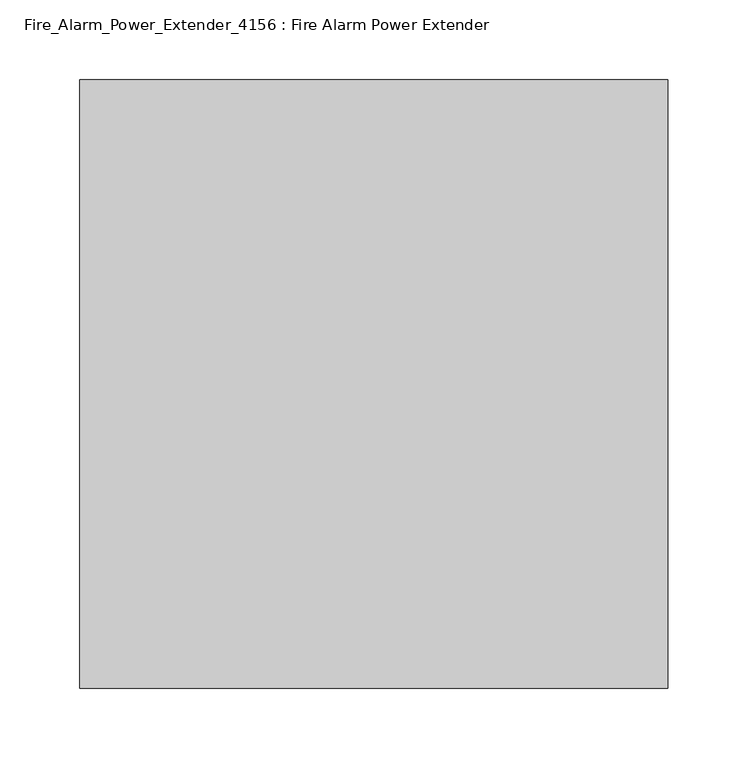
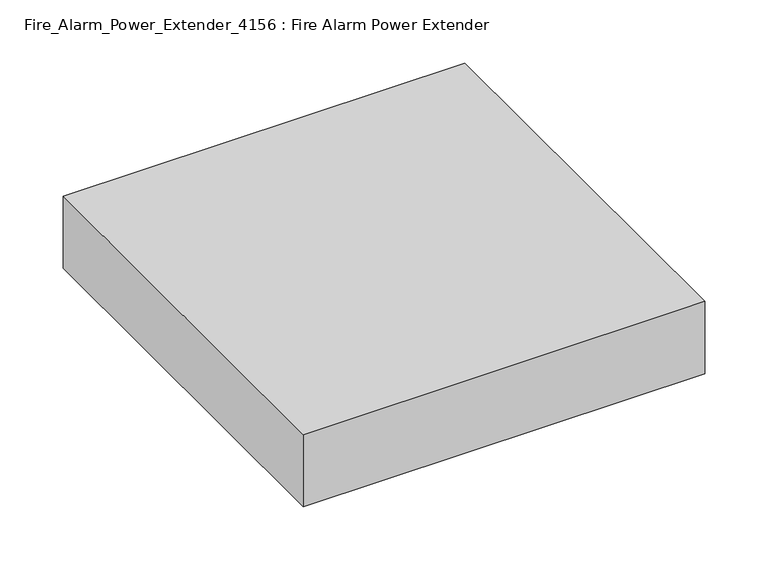
"""IFC4 building model written with IfcOpenShell, lengths in millimetres: proxy geometry, Fire_Alarm_Power_Extender_4156 : Fire Alarm Power Extender."""

import ifcopenshell
import ifcopenshell.guid

model = None  # the IFC model being written
_history = None  # IfcOwnerHistory: only IFC2X3 demands one
_inside = {}  # id of a spatial element -> (the spatial element, [elements in it])
_under = {}  # id of a project, library or spatial element -> (it, [spatial elements below it])
_declared = {}  # id of a project -> (the project, [libraries it declares])
_typed = {}  # id of a type object -> (the type object, [elements of that type])
_made_of = {}  # id of a material, layer set ... -> (it, [elements and type objects made of it])


def new_model(schema):
    """Start an empty IFC model of exactly this schema.

    Asked for "IFC4X3", IfcOpenShell would pick the latest addendum, in which some entities
    have other attributes; the version numbers below select the first issue.
    IFC2X3 requires an IfcOwnerHistory on every rooted entity: one is made here for all.
    """
    global model, _history
    if schema == "IFC4X3":
        model = ifcopenshell.file(schema_version=(4, 3, 0, 0))
    else:
        model = ifcopenshell.file(schema=schema)
    _inside.clear()
    _under.clear()
    _declared.clear()
    _typed.clear()
    _made_of.clear()
    _history = None
    if model.schema == "IFC2X3":
        org = make("IfcOrganization", Name="unknown")
        user = make(
            "IfcPersonAndOrganization",
            ThePerson=make("IfcPerson", FamilyName="unknown"),
            TheOrganization=org,
        )
        app = make(
            "IfcApplication",
            ApplicationDeveloper=org,
            Version="unknown",
            ApplicationFullName="unknown",
            ApplicationIdentifier="unknown",
        )
        _history = make(
            "IfcOwnerHistory",
            OwningUser=user,
            OwningApplication=app,
            ChangeAction="ADDED",
            CreationDate=0,
        )
    return model


def make(cls, **values):
    """One entity of the class cls with the attributes given. An attribute that is None is left unset."""
    return model.create_entity(
        cls, **{name: value for name, value in values.items() if value is not None}
    )


def rooted(cls, **values):
    """An entity with a GlobalId (a new one), such as an element, a storey or a relation."""
    return make(cls, GlobalId=ifcopenshell.guid.new(), OwnerHistory=_history, **values)


def si_unit(unit_type, name, prefix=None):
    """IfcSIUnit, for example si_unit("LENGTHUNIT", "METRE", prefix="MILLI")."""
    return make("IfcSIUnit", UnitType=unit_type, Prefix=prefix, Name=name)


def assignment(units):
    """IfcUnitAssignment: the units of a project."""
    return None if units is None else make("IfcUnitAssignment", Units=units)


def point(xyz):
    """IfcCartesianPoint."""
    return None if xyz is None else make("IfcCartesianPoint", Coordinates=xyz)


def direction(xyz):
    """IfcDirection."""
    return None if xyz is None else make("IfcDirection", DirectionRatios=xyz)


def frame(location, z_axis=None, x_axis=None):
    """IfcAxis2Placement3D, a coordinate frame: its origin and axes. An axis left out is left unset."""
    return make(
        "IfcAxis2Placement3D",
        Location=point(location),
        Axis=direction(z_axis),
        RefDirection=direction(x_axis),
    )


def origin():
    """The frame at (0, 0, 0) with its axes left unset."""
    return frame((0.0, 0.0, 0.0))


def origin_with_axes():
    """The frame at (0, 0, 0) with the z axis (0, 0, 1) and the x axis (1, 0, 0) written out."""
    return frame((0.0, 0.0, 0.0), z_axis=(0.0, 0.0, 1.0), x_axis=(1.0, 0.0, 0.0))


def place(relative_to, where):
    """IfcLocalPlacement: puts the frame where relative to a parent placement (None: the world)."""
    return make(
        "IfcLocalPlacement", PlacementRelTo=relative_to, RelativePlacement=where
    )


def context(
    kind, dimensions, precision=None, world=None, true_north=None, identifier=None
):
    """IfcGeometricRepresentationContext, for example the 3D "Model" context."""
    return make(
        "IfcGeometricRepresentationContext",
        ContextIdentifier=identifier,
        ContextType=kind,
        CoordinateSpaceDimension=dimensions,
        Precision=precision,
        WorldCoordinateSystem=world,
        TrueNorth=true_north,
    )


def project(units=None, contexts=None):
    """IfcProject with its units and contexts."""
    return rooted(
        "IfcProject",
        Name="project",
        RepresentationContexts=contexts,
        UnitsInContext=assignment(units),
    )


def spatial(cls, under=None, at=None, **own):
    """A site, building, storey or space (cls), placed at a placement, below another one or the project."""
    s = rooted(cls, ObjectPlacement=at, **own)
    if under is not None:
        _under.setdefault(under.id(), (under, []))[1].append(s)
    return s


def polyline(points):
    """IfcPolyline through the points."""
    return make("IfcPolyline", Points=[point(p) for p in points])


def outline(outer, holes=None, kind="AREA"):
    """IfcArbitraryClosedProfileDef: a profile drawn as a closed curve; with holes, ...WithVoids."""
    if holes is None:
        return make("IfcArbitraryClosedProfileDef", ProfileType=kind, OuterCurve=outer)
    return make(
        "IfcArbitraryProfileDefWithVoids",
        ProfileType=kind,
        OuterCurve=outer,
        InnerCurves=holes,
    )


def extrude(swept, where, along, depth):
    """IfcExtrudedAreaSolid: the profile swept, set in the frame where, extruded along a direction by depth."""
    return make(
        "IfcExtrudedAreaSolid",
        SweptArea=swept,
        Position=where,
        ExtrudedDirection=direction(along),
        Depth=depth,
    )


def shape(context_of_items, identifier, shape_type, items):
    """IfcShapeRepresentation: the items that make up one representation, for example the "Body"."""
    return make(
        "IfcShapeRepresentation",
        ContextOfItems=context_of_items,
        RepresentationIdentifier=identifier,
        RepresentationType=shape_type,
        Items=items,
    )


def source(mapping_origin, context_of_items, identifier, shape_type, items):
    """IfcRepresentationMap: a shape defined once, which mapped items show again and again."""
    return make(
        "IfcRepresentationMap",
        MappingOrigin=mapping_origin,
        MappedRepresentation=shape(context_of_items, identifier, shape_type, items),
    )


def transform(
    local_origin,
    x_axis=None,
    y_axis=None,
    z_axis=None,
    scale=None,
    scale2=None,
    scale3=None,
    uniform=True,
):
    """IfcCartesianTransformationOperator3D, or its non-uniform kind. x_axis, y_axis, z_axis: its Axis1, 2, 3."""
    if uniform:
        return make(
            "IfcCartesianTransformationOperator3D",
            Axis1=direction(x_axis),
            Axis2=direction(y_axis),
            LocalOrigin=point(local_origin),
            Scale=scale,
            Axis3=direction(z_axis),
        )
    return make(
        "IfcCartesianTransformationOperator3DnonUniform",
        Axis1=direction(x_axis),
        Axis2=direction(y_axis),
        LocalOrigin=point(local_origin),
        Scale=scale,
        Axis3=direction(z_axis),
        Scale2=scale2,
        Scale3=scale3,
    )


def mapped(mapping_source, mapping_target):
    """IfcMappedItem: shows the shape of a source again, moved by a transform."""
    return make(
        "IfcMappedItem", MappingSource=mapping_source, MappingTarget=mapping_target
    )


def made_of(thing, what):
    """Note that an element or type object is made of a material, layer set ...; save() writes the relation."""
    if what is not None:
        _made_of.setdefault(what.id(), (what, []))[1].append(thing)
    return thing


def element(
    cls,
    number,
    at=None,
    inside=None,
    cuts=None,
    type_object=None,
    material=None,
    context=None,
    identifier="Body",
    shape_type=None,
    held_by="IfcProductDefinitionShape",
    body=None,
    shapes=None,
    **own,
):
    """One element of the class cls, such as IfcWall. Its Tag is "e" and its number.

    at: its placement. inside: the storey or other place that contains it. cuts: it is an
    opening in that element (IfcRelVoidsElement). A single representation is given by context,
    identifier, shape_type and body (its items); several are given by shapes. held_by: the class
    of the entity that holds the representations. save() writes the other relations.
    """
    e = rooted(cls, Tag="e%d" % number, ObjectPlacement=at, **own)
    if body is not None:
        shapes = [shape(context, identifier, shape_type, body)]
    if shapes is not None:
        e.Representation = make(held_by, Representations=shapes)
    if inside is not None:
        _inside.setdefault(inside.id(), (inside, []))[1].append(e)
    if cuts is not None:
        rooted(
            "IfcRelVoidsElement", RelatingBuildingElement=cuts, RelatedOpeningElement=e
        )
    if type_object is not None:
        _typed.setdefault(type_object.id(), (type_object, []))[1].append(e)
    return made_of(e, material)


def aggregate(whole, parts):
    """IfcRelAggregates: a whole, such as a stair, and the parts it consists of."""
    return rooted("IfcRelAggregates", RelatingObject=whole, RelatedObjects=parts)


def save(model, path):
    """Write the relations noted so far, then the file.

    IfcRelAggregates (storeys below a building ...), IfcRelContainedInSpatialStructure (elements
    in a storey), IfcRelDefinesByType, IfcRelAssociatesMaterial and IfcRelDeclares: one each for
    every whole, place, type object, material and project.
    """
    for whole, parts in _under.values():
        aggregate(whole, parts)
    for where, things in _inside.values():
        rooted(
            "IfcRelContainedInSpatialStructure",
            RelatedElements=things,
            RelatingStructure=where,
        )
    for kind, things in _typed.values():
        rooted("IfcRelDefinesByType", RelatedObjects=things, RelatingType=kind)
    for what, things in _made_of.values():
        rooted("IfcRelAssociatesMaterial", RelatedObjects=things, RelatingMaterial=what)
    for by, libraries in _declared.values():
        rooted("IfcRelDeclares", RelatingContext=by, RelatedDefinitions=libraries)
    model.write(path)


def fire_alarm_power_extender_4156_fire_alarm_power_extender_4acffaa1(model_context):
    return source(origin(), model_context, "Body", "SweptSolid", [
        extrude(outline(polyline([(184.15, 190.5), (184.15, -190.5), (-184.15, -190.5), (-184.15, 190.5), (184.15, 190.5)])), origin_with_axes(), (0.0, 0.0, 1.0), 69.85),
    ])


if __name__ == "__main__":
    model = new_model("IFC4")
    model_context = context("Model", 3, world=origin())
    ifc_project = project(units=[si_unit("LENGTHUNIT", "METRE", prefix="MILLI")], contexts=[model_context])
    site = spatial("IfcSite", under=ifc_project)
    building = spatial("IfcBuilding", under=site)
    placement = place(None, origin())
    fire_alarm_power_extender_4156_fire_alarm_power_extender_shape = fire_alarm_power_extender_4156_fire_alarm_power_extender_4acffaa1(model_context)
    element("IfcBuildingElementProxy", 1, Name="Fire_Alarm_Power_Extender_4156 : Fire Alarm Power Extender", ObjectType="Fire_Alarm_Power_Extender_4156 : Fire Alarm Power Extender", at=placement, inside=building, context=model_context, shape_type="MappedRepresentation", body=[
        mapped(fire_alarm_power_extender_4156_fire_alarm_power_extender_shape, transform((0.0, 0.0, 0.0), x_axis=(1.0, 0.0, 0.0), y_axis=(0.0, 1.0, 0.0), z_axis=(0.0, 0.0, 1.0))),
    ])
    save(model, "model.ifc")
